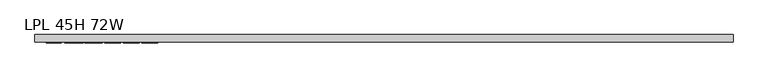
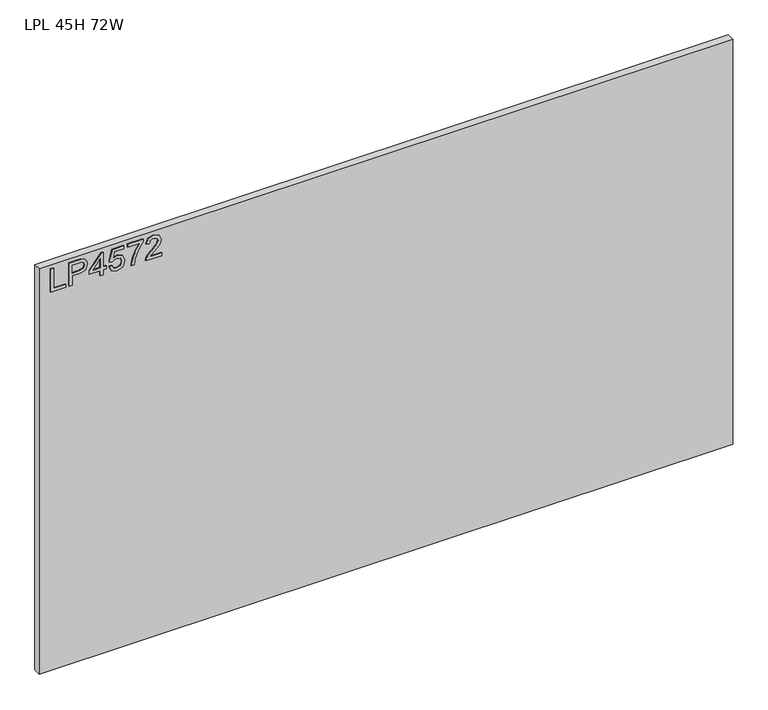
"""IFC4 building model written with IfcOpenShell, lengths in millimetres: furniture geometry, LPL 45H 72W."""

from ifc_helpers import new_model, si_unit, frame, origin, place, context, project, spatial, polyline, outline, extrude, source, transform, mapped, element, save


def lpl_45h_72w_7688138e(model_context):
    return source(origin(), model_context, "Body", "SweptSolid", [
        extrude(outline(polyline([(2071.6772502, 29.4553512), (2071.6772502, 69.3239493), (2079.6509698, 69.3239493), (2079.6509698, 37.4290708), (2135.4670071, 37.4290708), (2135.4670071, 29.4553512), (2071.6772502, 29.4553512)])), frame((0.0, -21.68525, 0.0), z_axis=(0.0, 1.0, 0.0), x_axis=(0.0, 0.0, 1.0)), (0.0, 0.0, 1.0), 2.38125),
        extrude(outline(polyline([(2071.6772502, 78.2943838), (2071.6772502, 86.2681034), (2097.591839, 86.2681034), (2097.591839, 102.4802951), (2099.0012562, 113.8081941), (2103.2295079, 121.0051769), (2117.0122069, 126.1367015), (2125.7101022, 124.2367137), (2131.8772759, 119.2142047), (2134.859634, 111.4663033), (2135.4670071, 101.9352166), (2135.4670071, 78.2943838), (2071.6772502, 78.2943838)]), holes=[polyline([(2105.5655586, 86.2681034), (2127.4932875, 86.2681034), (2127.4932875, 102.7606212), (2126.948209, 110.7343408), (2123.3351173, 116.1150442), (2116.7318808, 118.1629819), (2108.4934087, 114.6900533), (2105.5655586, 102.9475052), (2105.5655586, 86.2681034)])]), frame((0.0, -21.68525, 0.0), z_axis=(0.0, 1.0, 0.0), x_axis=(0.0, 0.0, 1.0)), (0.0, 0.0, 1.0), 2.38125),
        extrude(outline(polyline([(2071.6772502, 160.0250099), (2071.6772502, 167.9987295), (2086.6279745, 167.9987295), (2086.6279745, 175.9724491), (2094.6016941, 175.9724491), (2094.6016941, 167.9987295), (2134.4702922, 167.9987295), (2134.4702922, 162.0184398), (2094.6016941, 131.1202763), (2086.6279745, 131.1202763), (2086.6279745, 160.0250099), (2071.6772502, 160.0250099)]), holes=[polyline([(2094.6016941, 160.0250099), (2094.6016941, 140.9316891), (2119.2392418, 160.0250099), (2094.6016941, 160.0250099)])]), frame((0.0, -21.68525, 0.0), z_axis=(0.0, 1.0, 0.0), x_axis=(0.0, 0.0, 1.0)), (0.0, 0.0, 1.0), 2.38125),
        extrude(outline(polyline([(2088.6214044, 182.9494538), (2075.5940285, 189.1711354), (2070.6805352, 203.2419473), (2072.5922034, 212.632871), (2078.3272078, 219.8123334), (2093.1221953, 224.8114818), (2107.8237409, 219.259468), (2113.5392782, 205.624719), (2108.9294715, 193.9600393), (2126.4965726, 197.3706733), (2126.4965726, 221.821337), (2134.4702922, 221.821337), (2134.4702922, 190.9231734), (2101.5786988, 183.9461688), (2100.5819838, 191.9198884), (2104.1795018, 196.3973188), (2105.5655586, 203.397684), (2102.0926299, 213.4972097), (2092.6238379, 216.8377622), (2082.4775911, 213.2713915), (2078.6542549, 203.2730946), (2081.4030078, 194.9411806), (2089.6181193, 190.9231734), (2088.6214044, 182.9494538)])), frame((0.0, -21.68525, 0.0), z_axis=(0.0, 1.0, 0.0), x_axis=(0.0, 0.0, 1.0)), (0.0, 0.0, 1.0), 2.38125),
        extrude(outline(polyline([(2126.4965726, 231.7884865), (2126.4965726, 265.6767948), (2109.996268, 253.6227734), (2089.6648404, 244.9248781), (2071.6772502, 241.755636), (2071.6772502, 249.7293556), (2089.0107462, 252.6883531), (2110.8683936, 261.7755902), (2128.0227923, 273.6505145), (2134.4702922, 273.6505145), (2134.4702922, 231.7884865), (2126.4965726, 231.7884865)])), frame((0.0, -21.68525, 0.0), z_axis=(0.0, 1.0, 0.0), x_axis=(0.0, 0.0, 1.0)), (0.0, 0.0, 1.0), 2.38125),
        extrude(outline(polyline([(2079.6509698, 321.4928322), (2079.6509698, 290.1741795), (2083.7079111, 293.7716976), (2091.3779442, 302.9445899), (2102.3028745, 314.3678776), (2110.1208574, 319.0789132), (2117.6818747, 320.4961172), (2130.358843, 315.2400032), (2135.4670071, 300.9667336), (2130.8727742, 286.7401851), (2117.526138, 280.6275191), (2116.5294231, 288.6012388), (2124.581011, 291.9573649), (2127.4932875, 300.7954232), (2124.5109295, 309.2752872), (2117.1990909, 312.5223976), (2108.1663617, 309.0806163), (2094.8820202, 295.313491), (2085.6390464, 285.3307678), (2077.1747561, 280.4873561), (2071.6772502, 279.6308042), (2071.6772502, 321.4928322), (2079.6509698, 321.4928322)])), frame((0.0, -21.68525, 0.0), z_axis=(0.0, 1.0, 0.0), x_axis=(0.0, 0.0, 1.0)), (0.0, 0.0, 1.0), 2.38125),
        extrude(outline(polyline([(1828.8, 0.0), (1828.8, -19.304), (0.0, -19.304), (0.0, 0.0), (1828.8, 0.0)])), frame((0.0, 0.0, 1016.0), z_axis=(0.0, 0.0, 1.0), x_axis=(1.0, 0.0, 0.0)), (0.0, 0.0, 1.0), 1130.3),
    ])


if __name__ == "__main__":
    model = new_model("IFC4")
    model_context = context("Model", 3, world=origin())
    ifc_project = project(units=[si_unit("LENGTHUNIT", "METRE", prefix="MILLI")], contexts=[model_context])
    site = spatial("IfcSite", under=ifc_project)
    building = spatial("IfcBuilding", under=site)
    placement = place(None, origin())
    lpl_45h_72w_shape = lpl_45h_72w_7688138e(model_context)
    element("IfcFurniture", 1, ObjectType="LPL 45H 72W", at=placement, inside=building, context=model_context, shape_type="MappedRepresentation", body=[
        mapped(lpl_45h_72w_shape, transform((0.0, 0.0, 0.0), x_axis=(1.0, 0.0, 0.0), y_axis=(0.0, 1.0, 0.0), z_axis=(0.0, 0.0, 1.0))),
    ])
    save(model, "model.ifc")
